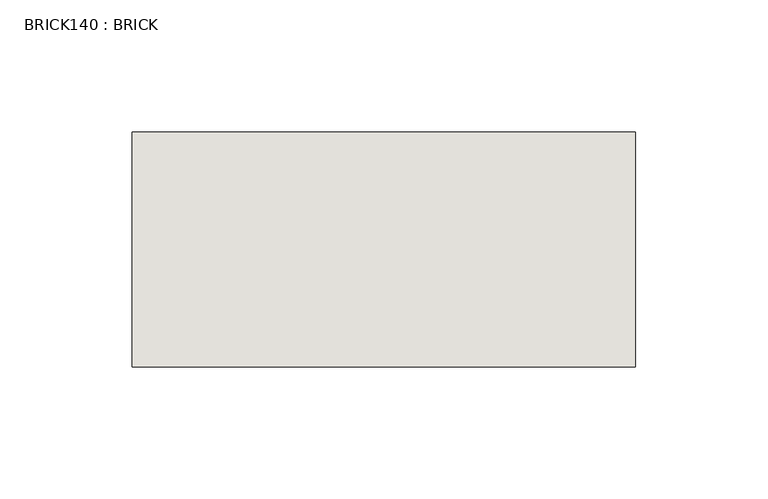
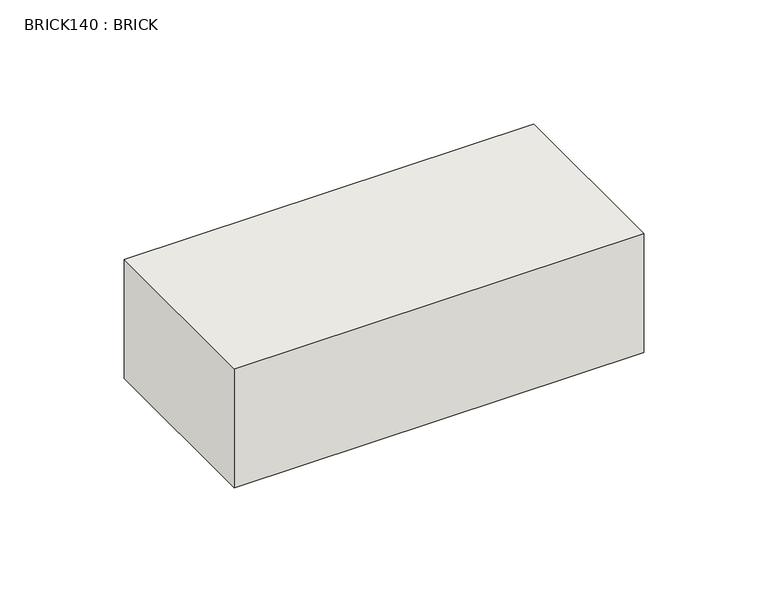
"""IFC4 building model written with IfcOpenShell, lengths in millimetres: wall geometry, BRICK140 : BRICK."""

from ifc_helpers import new_model, si_unit, frame, origin, place, context, project, spatial, polyline, outline, extrude, source, transform, mapped, element, save


def brick140_brick_0742374b(model_context):
    return source(origin(), model_context, "Body", "SweptSolid", [
        extrude(outline(polyline([(122.5272594, 2586.2274125), (313.0272594, 2586.2274125), (313.0272594, 2497.3274125), (122.5272594, 2497.3274125), (122.5272594, 2586.2274125)])), frame((0.0, 0.0, 4.1671875), z_axis=(0.0, 0.0, 1.0), x_axis=(1.0, 0.0, 0.0)), (0.0, 0.0, 1.0), 58.4398437),
    ])


if __name__ == "__main__":
    model = new_model("IFC4")
    model_context = context("Model", 3, world=origin())
    ifc_project = project(units=[si_unit("LENGTHUNIT", "METRE", prefix="MILLI")], contexts=[model_context])
    site = spatial("IfcSite", under=ifc_project)
    building = spatial("IfcBuilding", under=site)
    placement = place(None, origin())
    brick140_brick_shape = brick140_brick_0742374b(model_context)
    element("IfcWall", 1, ObjectType="BRICK140 : BRICK", at=placement, inside=building, context=model_context, shape_type="MappedRepresentation", body=[
        mapped(brick140_brick_shape, transform((0.0, 0.0, 0.0), x_axis=(1.0, 0.0, 0.0), y_axis=(0.0, 1.0, 0.0), z_axis=(0.0, 0.0, 1.0))),
    ])
    save(model, "model.ifc")
